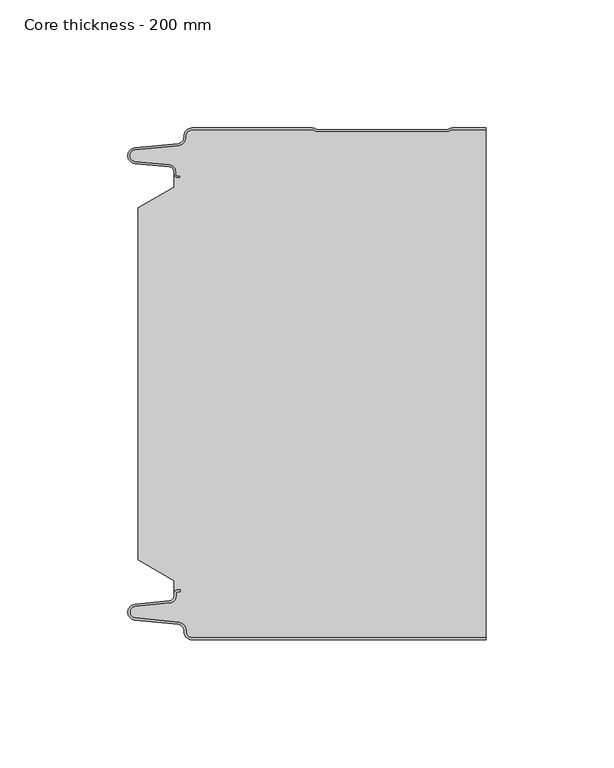
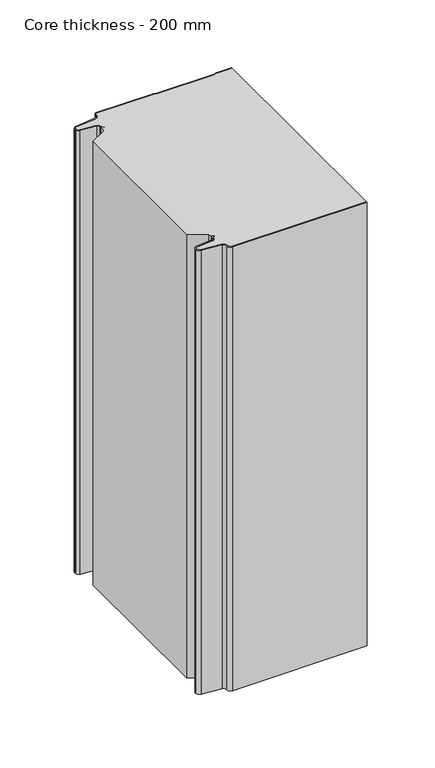
"""IFC4 building model written with IfcOpenShell, lengths in millimetres: plate geometry, Core thickness - 200 mm."""

from ifc_helpers import new_model, si_unit, frame, origin, place, context, project, spatial, polyline, circle_curve, source, transform, mapped, element, save
from ifc_brep_helpers import plane_surface, cylinder_surface, revolved_surface, advanced_brep


def core_thickness_200_mm_d5a46577(model_context):
    return source(origin(), model_context, "Body", "AdvancedBrep", [
        advanced_brep(
        [(-44.8000003, -199.9996949, 0.0), (-47.9923632, -196.5787437, 0.0), (-50.2560431, -193.9171154, 0.0), (-67.2115315, -192.2546153, 0.0), (-69.9999998, -189.1776715, 0.0), (-67.2115315, -186.1007278, 0.0), (-53.6195785, -184.7680252, 0.0), (-51.9952277, -182.9766159, 0.0), (-51.9952277, -181.8996949, 0.0), (-50.5952277, -180.4996949, 0.0), (-49.4952277, -180.4996949, 0.0), (-49.4952277, -181.2996949, 0.0), (-50.5952277, -181.2996949, 0.0), (-51.1952277, -181.8996949, 0.0), (-51.1952277, -182.9766159, 0.0), (-53.5415122, -185.5642071, 0.0), (-67.1334652, -186.8969097, 0.0), (-69.1999997, -189.1776715, 0.0), (-67.1334652, -191.4584333, 0.0), (-50.1779767, -193.1209335, 0.0), (-47.2078761, -196.6330399, 0.0), (-44.8000003, -199.1996949, 0.0), (69.9999998, -199.2, 0.0), (69.9999998, -199.9996949, 0.0), (-44.8000003, -199.1996949, 400.0), (-47.1942724, -196.6339815, 400.0), (-50.1779767, -193.1209335, 400.0), (-67.1334652, -191.4584333, 400.0), (-69.1999997, -189.1776715, 400.0), (-67.1334652, -186.8969097, 400.0), (-53.5415122, -185.5642071, 400.0), (-51.1952277, -182.9766159, 400.0), (-51.1952277, -181.8996949, 400.0), (-50.5952277, -181.2996949, 400.0), (-49.4952277, -181.2996949, 400.0), (-49.4952277, -180.4996949, 400.0), (-50.5952277, -180.4996949, 400.0), (-51.9952277, -181.8996949, 400.0), (-51.9952277, -182.9766159, 400.0), (-53.6195785, -184.7680252, 400.0), (-67.2115315, -186.1007278, 400.0), (-69.9999998, -189.1776715, 400.0), (-67.2115315, -192.2546153, 400.0), (-50.2560431, -193.9171154, 400.0), (-48.0059668, -196.5778021, 400.0), (-44.8000003, -199.9996949, 400.0), (69.9999998, -199.9996949, 400.0), (69.9999998, -199.2, 400.0)],
        [
            (0, 1, circle_curve(frame((-44.8000003, -196.7996949, 0.0), z_axis=(0.0, 0.0, -1.0), x_axis=(1.0, 0.0, 0.0)), 3.2)),
            (1, 2, circle_curve(frame((-50.5000003, -196.4051839, 0.0), z_axis=(0.0, 0.0, 1.0), x_axis=(1.0, 0.0, 0.0)), 2.5)),
            (2, 3),
            (3, 4, circle_curve(frame((-66.9100003, -189.1793626, 0.0), z_axis=(0.0, 0.0, -1.0), x_axis=(1.0, 0.0, 0.0)), 3.09)),
            (4, 5, circle_curve(frame((-66.9100003, -189.1759805, 0.0), z_axis=(0.0, 0.0, -1.0), x_axis=(1.0, 0.0, 0.0)), 3.09)),
            (5, 6),
            (6, 7, circle_curve(frame((-53.7952277, -182.9766159, 0.0), z_axis=(0.0, 0.0, 1.0), x_axis=(1.0, 0.0, 0.0)), 1.8)),
            (7, 8),
            (8, 9, circle_curve(frame((-50.5952277, -181.8996949, 0.0), z_axis=(0.0, 0.0, -1.0), x_axis=(1.0, 0.0, 0.0)), 1.4)),
            (9, 10),
            (10, 11),
            (11, 12),
            (12, 13, circle_curve(frame((-50.5952277, -181.8996949, 0.0), z_axis=(0.0, 0.0, 1.0), x_axis=(1.0, 0.0, 0.0)), 0.6)),
            (13, 14),
            (14, 15, circle_curve(frame((-53.7952277, -182.9766159, 0.0), z_axis=(0.0, 0.0, -1.0), x_axis=(1.0, 0.0, 0.0)), 2.6)),
            (15, 16),
            (16, 17, circle_curve(frame((-66.9100003, -189.1759805, 0.0), z_axis=(0.0, 0.0, 1.0), x_axis=(1.0, 0.0, 0.0)), 2.29)),
            (17, 18, circle_curve(frame((-66.9100003, -189.1793626, 0.0), z_axis=(0.0, 0.0, 1.0), x_axis=(1.0, 0.0, 0.0)), 2.29)),
            (18, 19),
            (19, 20, circle_curve(frame((-50.5000003, -196.4051839, 0.0), z_axis=(0.0, 0.0, -1.0), x_axis=(1.0, 0.0, 0.0)), 3.3)),
            (20, 21, circle_curve(frame((-44.8000003, -196.7996949, 0.0), z_axis=(0.0, 0.0, 1.0), x_axis=(1.0, 0.0, 0.0)), 2.4)),
            (21, 22),
            (22, 23),
            (23, 0),
            (24, 25, circle_curve(frame((-44.8000003, -196.7996949, 400.0), z_axis=(0.0, 0.0, -1.0), x_axis=(1.0, 0.0, 0.0)), 2.4)),
            (25, 26, circle_curve(frame((-50.5000003, -196.4051839, 400.0), z_axis=(0.0, 0.0, 1.0), x_axis=(1.0, 0.0, 0.0)), 3.3)),
            (26, 27),
            (27, 28, circle_curve(frame((-66.9100003, -189.1793626, 400.0), z_axis=(0.0, 0.0, -1.0), x_axis=(1.0, 0.0, 0.0)), 2.29)),
            (28, 29, circle_curve(frame((-66.9100003, -189.1759805, 400.0), z_axis=(0.0, 0.0, -1.0), x_axis=(1.0, 0.0, 0.0)), 2.29)),
            (29, 30),
            (30, 31, circle_curve(frame((-53.7952277, -182.9766159, 400.0), z_axis=(0.0, 0.0, 1.0), x_axis=(1.0, 0.0, 0.0)), 2.6)),
            (31, 32),
            (32, 33, circle_curve(frame((-50.5952277, -181.8996949, 400.0), z_axis=(0.0, 0.0, -1.0), x_axis=(1.0, 0.0, 0.0)), 0.6)),
            (33, 34),
            (34, 35),
            (35, 36),
            (36, 37, circle_curve(frame((-50.5952277, -181.8996949, 400.0), z_axis=(0.0, 0.0, 1.0), x_axis=(1.0, 0.0, 0.0)), 1.4)),
            (37, 38),
            (38, 39, circle_curve(frame((-53.7952277, -182.9766159, 400.0), z_axis=(0.0, 0.0, -1.0), x_axis=(1.0, 0.0, 0.0)), 1.8)),
            (39, 40),
            (40, 41, circle_curve(frame((-66.9100003, -189.1759805, 400.0), z_axis=(0.0, 0.0, 1.0), x_axis=(1.0, 0.0, 0.0)), 3.09)),
            (41, 42, circle_curve(frame((-66.9100003, -189.1793626, 400.0), z_axis=(0.0, 0.0, 1.0), x_axis=(1.0, 0.0, 0.0)), 3.09)),
            (42, 43),
            (43, 44, circle_curve(frame((-50.5000003, -196.4051839, 400.0), z_axis=(0.0, 0.0, -1.0), x_axis=(1.0, 0.0, 0.0)), 2.5)),
            (44, 45, circle_curve(frame((-44.8000003, -196.7996949, 400.0), z_axis=(0.0, 0.0, 1.0), x_axis=(1.0, 0.0, 0.0)), 3.2)),
            (45, 46),
            (46, 47),
            (47, 24),
            (21, 24),
            (47, 22),
            (20, 25),
            (19, 26),
            (18, 27),
            (17, 28),
            (16, 29),
            (15, 30),
            (14, 31),
            (13, 32),
            (12, 33),
            (11, 34),
            (10, 35),
            (9, 36),
            (8, 37),
            (7, 38),
            (6, 39),
            (5, 40),
            (4, 41),
            (3, 42),
            (2, 43),
            (1, 44),
            (0, 45),
            (23, 46),
        ],
        [
            plane_surface(frame((-69.9999998, -200.0, 0.0), z_axis=(0.0, 0.0, -1.0), x_axis=(0.0, 1.0, 0.0))),
            plane_surface(frame((-69.9999998, -200.0, 400.0), z_axis=(0.0, 0.0, 1.0), x_axis=(0.0, 1.0, 0.0))),
            plane_surface(frame((-44.8000003, -199.2, 0.0), z_axis=(0.0, 1.0, 0.0), x_axis=(0.0, 0.0, 1.0))),
            revolved_surface(polyline([(-42.4000003, -196.7996949, 400.0), (-42.4000003, -196.7996949, 0.0)]), (-44.8000003, -196.7996949, 0.0), (0.0, 0.0, 1.0)),
            cylinder_surface(frame((-50.5000003, -196.4051839, 0.0), z_axis=(0.0, 0.0, -1.0), x_axis=(1.0, 0.0, 0.0)), 3.3),
            plane_surface(frame((-67.1334652, -191.4584333, 0.0), z_axis=(0.09758289975914758, 0.9952273999818314, 0.0), x_axis=(0.0, 0.0, 1.0))),
            revolved_surface(polyline([(-64.62000029999999, -189.1793626, 400.0), (-64.62000029999999, -189.1793626, 0.0)]), (-66.9100003, -189.1793626, 0.0), (0.0, 0.0, 1.0)),
            revolved_surface(polyline([(-64.62000029999999, -189.1759805, 400.0), (-64.62000029999999, -189.1759805, 0.0)]), (-66.9100003, -189.1759805, 0.0), (0.0, 0.0, 1.0)),
            plane_surface(frame((-53.5415122, -185.5642071, 0.0), z_axis=(0.09758289975914383, -0.9952273999818317, 0.0), x_axis=(0.0, 0.0, 1.0))),
            cylinder_surface(frame((-53.7952277, -182.9766159, 0.0), z_axis=(0.0, 0.0, -1.0), x_axis=(1.0, 0.0, 0.0)), 2.6),
            plane_surface(frame((-51.1952277, -181.8996949, 0.0), z_axis=(1.0, 0.0, 0.0), x_axis=(0.0, 0.0, 1.0))),
            revolved_surface(polyline([(-49.9952277, -181.8996949, 400.0), (-49.9952277, -181.8996949, 0.0)]), (-50.5952277, -181.8996949, 0.0), (0.0, 0.0, 1.0)),
            plane_surface(frame((-49.4952277, -181.2996949, 0.0), z_axis=(0.0, -1.0, 0.0), x_axis=(0.0, 0.0, 1.0))),
            plane_surface(frame((-49.4952277, -180.4996949, 0.0), z_axis=(1.0, 0.0, 0.0), x_axis=(0.0, 0.0, 1.0))),
            plane_surface(frame((-50.5952277, -180.4996949, 0.0), z_axis=(0.0, 1.0, 0.0), x_axis=(0.0, 0.0, 1.0))),
            cylinder_surface(frame((-50.5952277, -181.8996949, 0.0), z_axis=(0.0, 0.0, -1.0), x_axis=(1.0, 0.0, 0.0)), 1.4),
            plane_surface(frame((-51.9952277, -182.9766159, 0.0), z_axis=(-1.0, 0.0, 0.0), x_axis=(0.0, 0.0, 1.0))),
            revolved_surface(polyline([(-51.9952277, -182.9766159, 400.0), (-51.9952277, -182.9766159, 0.0)]), (-53.7952277, -182.9766159, 0.0), (0.0, 0.0, 1.0)),
            plane_surface(frame((-67.2115315, -186.1007278, 0.0), z_axis=(-0.09758289975914387, 0.9952273999818317, 0.0), x_axis=(0.0, 0.0, 1.0))),
            cylinder_surface(frame((-66.9100003, -189.1759805, 0.0), z_axis=(0.0, 0.0, -1.0), x_axis=(1.0, 0.0, 0.0)), 3.09),
            cylinder_surface(frame((-66.9100003, -189.1793626, 0.0), z_axis=(0.0, 0.0, -1.0), x_axis=(1.0, 0.0, 0.0)), 3.09),
            plane_surface(frame((-50.2560431, -193.9171154, 0.0), z_axis=(-0.09758289975914762, -0.9952273999818314, 0.0), x_axis=(0.0, 0.0, 1.0))),
            revolved_surface(polyline([(-48.0000003, -196.4051839, 400.0), (-48.0000003, -196.4051839, 0.0)]), (-50.5000003, -196.4051839, 0.0), (0.0, 0.0, 1.0)),
            cylinder_surface(frame((-44.8000003, -196.7996949, 0.0), z_axis=(0.0, 0.0, -1.0), x_axis=(1.0, 0.0, 0.0)), 3.2),
            plane_surface(frame((1046.009932, -199.9996949, 0.0), z_axis=(0.0, -1.0, 0.0), x_axis=(0.0, 0.0, 1.0))),
            plane_surface(frame((69.9999998, 180.0, 400.0), z_axis=(1.0, 0.0, 0.0), x_axis=(0.0, 0.0, -1.0))),
        ],
        [
            (0, [[1, 2, 3, 4, 5, 6, 7, 8, 9, 10, 11, 12, 13, 14, 15, 16, 17, 18, 19, 20, 21, 22, 23, 24]]),
            (1, [[25, 26, 27, 28, 29, 30, 31, 32, 33, 34, 35, 36, 37, 38, 39, 40, 41, 42, 43, 44, 45, 46, 47, 48]]),
            (2, [[49, -48, 50, -22]]),
            (3, [[-21, 51, -25, -49]]),
            (4, [[-20, 52, -26, -51]]),
            (5, [[-19, 53, -27, -52]]),
            (6, [[-18, 54, -28, -53]]),
            (7, [[-17, 55, -29, -54]]),
            (8, [[-16, 56, -30, -55]]),
            (9, [[-15, 57, -31, -56]]),
            (10, [[-14, 58, -32, -57]]),
            (11, [[-13, 59, -33, -58]]),
            (12, [[-12, 60, -34, -59]]),
            (13, [[-11, 61, -35, -60]]),
            (14, [[-10, 62, -36, -61]]),
            (15, [[-9, 63, -37, -62]]),
            (16, [[-8, 64, -38, -63]]),
            (17, [[-7, 65, -39, -64]]),
            (18, [[-6, 66, -40, -65]]),
            (19, [[-5, 67, -41, -66]]),
            (20, [[-4, 68, -42, -67]]),
            (21, [[-3, 69, -43, -68]]),
            (22, [[-2, 70, -44, -69]]),
            (23, [[-1, 71, -45, -70]]),
            (24, [[-71, -24, 72, -46]]),
            (25, [[-23, -50, -47, -72]]),
        ],
    ),
        advanced_brep(
        [(-51.9952277, -23.1062917, 400.0), (-66.0446509, -31.1628062, 400.0), (-66.0446509, -168.7531937, 400.0), (-51.9952277, -176.8937083, 400.0), (-51.9952277, -180.4996949, 400.0), (-51.9952277, -181.8996949, 400.0), (-50.5952277, -180.4996949, 400.0), (-49.4952277, -180.4996949, 400.0), (-49.4952277, -181.2996949, 400.0), (-50.5952277, -181.2996949, 400.0), (-51.1952277, -181.8996949, 400.0), (-51.1952277, -182.9766159, 400.0), (-53.5415122, -185.5642071, 400.0), (-67.1334652, -186.8969097, 400.0), (-69.1999997, -189.1776715, 400.0), (-67.1334652, -191.4584333, 400.0), (-50.1779767, -193.1209335, 400.0), (-47.2078761, -196.6330399, 400.0), (-44.8000003, -199.1996949, 400.0), (69.9999998, -199.2, 400.0), (69.9999998, -0.8, 400.0), (57.0487965, -0.8, 400.0), (55.9973806, -1.0986697, 400.0), (54.5769997, -1.5003051, 400.0), (4.4172165, -1.5003051, 400.0), (2.9978051, -1.0971009, 400.0), (1.9454197, -0.8, 400.0), (-44.8000003, -0.8, 400.0), (-47.1942724, -3.3660185, 400.0), (-50.1779767, -6.8790665, 400.0), (-67.1334652, -8.5415667, 400.0), (-69.1999997, -10.8223285, 400.0), (-67.1334652, -13.1030903, 400.0), (-53.5415122, -14.4357929, 400.0), (-51.1952277, -17.0233841, 400.0), (-51.1952277, -18.1003051, 400.0), (-50.5952277, -18.7003051, 400.0), (-49.4952277, -18.7003051, 400.0), (-49.4952277, -19.5003051, 400.0), (-50.5952277, -19.5003051, 400.0), (-51.9952277, -18.1003051, 400.0), (-51.9952277, -19.5003051, 400.0), (-51.9952277, -176.8937083, 0.0), (-66.0446509, -168.7531937, 0.0), (-66.0446509, -31.1628062, 0.0), (-51.9952277, -23.1062917, 0.0), (-51.9952277, -19.5003051, 0.0), (-51.9952277, -18.1003051, 0.0), (-50.5952277, -19.5003051, 0.0), (-49.4952277, -19.5003051, 0.0), (-49.4952277, -18.7003051, 0.0), (-50.5952277, -18.7003051, 0.0), (-51.1952277, -18.1003051, 0.0), (-51.1952277, -17.0233841, 0.0), (-53.5415122, -14.4357929, 0.0), (-67.1334652, -13.1030903, 0.0), (-69.1999997, -10.8223285, 0.0), (-67.1334652, -8.5415667, 0.0), (-50.1779767, -6.8790665, 0.0), (-47.2078761, -3.3669601, 0.0), (-44.8000003, -0.8003051, 0.0), (1.9454197, -0.8, 0.0), (2.9968355, -1.0986697, 0.0), (4.4172165, -1.5003051, 0.0), (54.5769997, -1.5003051, 0.0), (55.9964111, -1.0971009, 0.0), (57.0487965, -0.8, 0.0), (69.9999998, -0.8, 0.0), (69.9999998, -199.2, 0.0), (-44.8000003, -199.2, 0.0), (-47.1942724, -196.6339815, 0.0), (-50.1779767, -193.1209335, 0.0), (-67.1334652, -191.4584333, 0.0), (-69.1999997, -189.1776715, 0.0), (-67.1334652, -186.8969097, 0.0), (-53.5415122, -185.5642071, 0.0), (-51.1952277, -182.9766159, 0.0), (-51.1952277, -181.8996949, 0.0), (-50.5952277, -181.2996949, 0.0), (-49.4952277, -181.2996949, 0.0), (-49.4952277, -180.4996949, 0.0), (-50.5952277, -180.4996949, 0.0), (-51.9952277, -181.8996949, 0.0), (-51.9952277, -180.4996949, 0.0)],
        [
            (0, 1),
            (1, 2),
            (2, 3),
            (3, 4),
            (4, 5),
            (5, 6, circle_curve(frame((-50.5952277, -181.8996949, 400.0), z_axis=(0.0, 0.0, -1.0), x_axis=(1.0, 0.0, 0.0)), 1.4)),
            (6, 7),
            (7, 8),
            (8, 9),
            (9, 10, circle_curve(frame((-50.5952277, -181.8996949, 400.0), z_axis=(0.0, 0.0, 1.0), x_axis=(1.0, 0.0, 0.0)), 0.6)),
            (10, 11),
            (11, 12, circle_curve(frame((-53.7952277, -182.9766159, 400.0), z_axis=(0.0, 0.0, -1.0), x_axis=(1.0, 0.0, 0.0)), 2.6)),
            (12, 13),
            (13, 14, circle_curve(frame((-66.9100003, -189.1759805, 400.0), z_axis=(0.0, 0.0, 1.0), x_axis=(1.0, 0.0, 0.0)), 2.29)),
            (14, 15, circle_curve(frame((-66.9100003, -189.1793626, 400.0), z_axis=(0.0, 0.0, 1.0), x_axis=(1.0, 0.0, 0.0)), 2.29)),
            (15, 16),
            (16, 17, circle_curve(frame((-50.5000003, -196.4051839, 400.0), z_axis=(0.0, 0.0, -1.0), x_axis=(1.0, 0.0, 0.0)), 3.3)),
            (17, 18, circle_curve(frame((-44.8000003, -196.7996949, 400.0), z_axis=(0.0, 0.0, 1.0), x_axis=(1.0, 0.0, 0.0)), 2.4)),
            (18, 19),
            (19, 20),
            (20, 21),
            (21, 22, circle_curve(frame((57.0487965, -2.8, 400.0), z_axis=(0.0, 0.0, 1.0), x_axis=(1.0, 0.0, 0.0)), 2.0)),
            (22, 23, circle_curve(frame((54.5769997, 1.1996949, 400.0), z_axis=(0.0, 0.0, -1.0), x_axis=(1.0, 0.0, 0.0)), 2.7)),
            (23, 24),
            (24, 25, circle_curve(frame((4.4172165, 1.1996949, 400.0), z_axis=(0.0, 0.0, -1.0), x_axis=(1.0, 0.0, 0.0)), 2.7)),
            (25, 26, circle_curve(frame((1.9454197, -2.8, 400.0), z_axis=(0.0, 0.0, 1.0), x_axis=(1.0, 0.0, 0.0)), 2.0)),
            (26, 27),
            (27, 28, circle_curve(frame((-44.8000003, -3.2003051, 400.0), z_axis=(0.0, 0.0, 1.0), x_axis=(1.0, 0.0, 0.0)), 2.4)),
            (28, 29, circle_curve(frame((-50.5000003, -3.5948161, 400.0), z_axis=(0.0, 0.0, -1.0), x_axis=(1.0, 0.0, 0.0)), 3.3)),
            (29, 30),
            (30, 31, circle_curve(frame((-66.9100003, -10.8206374, 400.0), z_axis=(0.0, 0.0, 1.0), x_axis=(1.0, 0.0, 0.0)), 2.29)),
            (31, 32, circle_curve(frame((-66.9100003, -10.8240195, 400.0), z_axis=(0.0, 0.0, 1.0), x_axis=(1.0, 0.0, 0.0)), 2.29)),
            (32, 33),
            (33, 34, circle_curve(frame((-53.7952277, -17.0233841, 400.0), z_axis=(0.0, 0.0, -1.0), x_axis=(1.0, 0.0, 0.0)), 2.6)),
            (34, 35),
            (35, 36, circle_curve(frame((-50.5952277, -18.1003051, 400.0), z_axis=(0.0, 0.0, 1.0), x_axis=(1.0, 0.0, 0.0)), 0.6)),
            (36, 37),
            (37, 38),
            (38, 39),
            (39, 40, circle_curve(frame((-50.5952277, -18.1003051, 400.0), z_axis=(0.0, 0.0, -1.0), x_axis=(1.0, 0.0, 0.0)), 1.4)),
            (40, 41),
            (41, 0),
            (42, 43),
            (43, 44),
            (44, 45),
            (45, 46),
            (46, 47),
            (47, 48, circle_curve(frame((-50.5952277, -18.1003051, 0.0), z_axis=(0.0, 0.0, 1.0), x_axis=(1.0, 0.0, 0.0)), 1.4)),
            (48, 49),
            (49, 50),
            (50, 51),
            (51, 52, circle_curve(frame((-50.5952277, -18.1003051, 0.0), z_axis=(0.0, 0.0, -1.0), x_axis=(1.0, 0.0, 0.0)), 0.6)),
            (52, 53),
            (53, 54, circle_curve(frame((-53.7952277, -17.0233841, 0.0), z_axis=(0.0, 0.0, 1.0), x_axis=(1.0, 0.0, 0.0)), 2.6)),
            (54, 55),
            (55, 56, circle_curve(frame((-66.9100003, -10.8240195, 0.0), z_axis=(0.0, 0.0, -1.0), x_axis=(1.0, 0.0, 0.0)), 2.29)),
            (56, 57, circle_curve(frame((-66.9100003, -10.8206374, 0.0), z_axis=(0.0, 0.0, -1.0), x_axis=(1.0, 0.0, 0.0)), 2.29)),
            (57, 58),
            (58, 59, circle_curve(frame((-50.5000003, -3.5948161, 0.0), z_axis=(0.0, 0.0, 1.0), x_axis=(1.0, 0.0, 0.0)), 3.3)),
            (59, 60, circle_curve(frame((-44.8000003, -3.2003051, 0.0), z_axis=(0.0, 0.0, -1.0), x_axis=(1.0, 0.0, 0.0)), 2.4)),
            (60, 61),
            (61, 62, circle_curve(frame((1.9454197, -2.8, 0.0), z_axis=(0.0, 0.0, -1.0), x_axis=(1.0, 0.0, 0.0)), 2.0)),
            (62, 63, circle_curve(frame((4.4172165, 1.1996949, 0.0), z_axis=(0.0, 0.0, 1.0), x_axis=(1.0, 0.0, 0.0)), 2.7)),
            (63, 64),
            (64, 65, circle_curve(frame((54.5769997, 1.1996949, 0.0), z_axis=(0.0, 0.0, 1.0), x_axis=(1.0, 0.0, 0.0)), 2.7)),
            (65, 66, circle_curve(frame((57.0487965, -2.8, 0.0), z_axis=(0.0, 0.0, -1.0), x_axis=(1.0, 0.0, 0.0)), 2.0)),
            (66, 67),
            (67, 68),
            (68, 69),
            (69, 70, circle_curve(frame((-44.8000003, -196.7996949, 0.0), z_axis=(0.0, 0.0, -1.0), x_axis=(1.0, 0.0, 0.0)), 2.4)),
            (70, 71, circle_curve(frame((-50.5000003, -196.4051839, 0.0), z_axis=(0.0, 0.0, 1.0), x_axis=(1.0, 0.0, 0.0)), 3.3)),
            (71, 72),
            (72, 73, circle_curve(frame((-66.9100003, -189.1793626, 0.0), z_axis=(0.0, 0.0, -1.0), x_axis=(1.0, 0.0, 0.0)), 2.29)),
            (73, 74, circle_curve(frame((-66.9100003, -189.1759805, 0.0), z_axis=(0.0, 0.0, -1.0), x_axis=(1.0, 0.0, 0.0)), 2.29)),
            (74, 75),
            (75, 76, circle_curve(frame((-53.7952277, -182.9766159, 0.0), z_axis=(0.0, 0.0, 1.0), x_axis=(1.0, 0.0, 0.0)), 2.6)),
            (76, 77),
            (77, 78, circle_curve(frame((-50.5952277, -181.8996949, 0.0), z_axis=(0.0, 0.0, -1.0), x_axis=(1.0, 0.0, 0.0)), 0.6)),
            (78, 79),
            (79, 80),
            (80, 81),
            (81, 82, circle_curve(frame((-50.5952277, -181.8996949, 0.0), z_axis=(0.0, 0.0, 1.0), x_axis=(1.0, 0.0, 0.0)), 1.4)),
            (82, 83),
            (83, 42),
            (45, 0),
            (40, 47),
            (1, 44),
            (43, 2),
            (42, 3),
            (82, 5),
            (18, 69),
            (68, 19),
            (17, 70),
            (16, 71),
            (15, 72),
            (14, 73),
            (13, 74),
            (12, 75),
            (11, 76),
            (10, 77),
            (9, 78),
            (8, 79),
            (7, 80),
            (6, 81),
            (60, 27),
            (26, 61),
            (25, 62),
            (24, 63),
            (23, 64),
            (22, 65),
            (21, 66),
            (20, 67),
            (39, 48),
            (38, 49),
            (37, 50),
            (36, 51),
            (35, 52),
            (34, 53),
            (33, 54),
            (32, 55),
            (31, 56),
            (30, 57),
            (29, 58),
            (28, 59),
        ],
        [
            plane_surface(frame((-69.9999998, 0.0, 400.0), z_axis=(0.0, 0.0, 1.0), x_axis=(0.0, -1.0, 0.0))),
            plane_surface(frame((-69.9999998, 0.0, 0.0), z_axis=(0.0, 0.0, -1.0), x_axis=(0.0, -1.0, 0.0))),
            plane_surface(frame((-51.9952277, -17.0229218, 400.0), z_axis=(-1.0, 0.0, 0.0), x_axis=(0.0, 0.0, -1.0))),
            plane_surface(frame((-66.0446509, -31.1628062, 400.0), z_axis=(-1.0, 0.0, 0.0), x_axis=(0.0, 0.0, -1.0))),
            plane_surface(frame((-51.9952277, -23.1062917, 400.0), z_axis=(-0.4974543664933155, 0.8674901459133322, 0.0), x_axis=(0.0, 0.0, -1.0))),
            plane_surface(frame((-66.0446509, -168.7531937, 400.0), z_axis=(-0.5013424225369615, -0.8652489672717159, 0.0), x_axis=(0.0, 0.0, -1.0))),
            plane_surface(frame((-51.9952277, -176.8937083, 400.0), z_axis=(-1.0, 0.0, 0.0), x_axis=(0.0, 0.0, -1.0))),
            plane_surface(frame((1046.009932, -199.2, 530.0), z_axis=(0.0, -1.0, 0.0), x_axis=(0.0, 0.0, -1.0))),
            cylinder_surface(frame((-44.8000003, -196.7996949, 530.0), z_axis=(0.0, 0.0, -1.0), x_axis=(1.0, 0.0, 0.0)), 2.4),
            revolved_surface(polyline([(-47.200000300000006, -196.4051839, 400.0), (-47.200000300000006, -196.4051839, 0.0)]), (-50.5000003, -196.4051839, 530.0), (0.0, 0.0, 1.0)),
            plane_surface(frame((-50.1779767, -193.1209335, 530.0), z_axis=(-0.09758289975914758, -0.9952273999818314, 0.0), x_axis=(0.0, 0.0, -1.0))),
            cylinder_surface(frame((-66.9100003, -189.1793626, 530.0), z_axis=(0.0, 0.0, -1.0), x_axis=(1.0, 0.0, 0.0)), 2.29),
            cylinder_surface(frame((-66.9100003, -189.1759805, 530.0), z_axis=(0.0, 0.0, -1.0), x_axis=(1.0, 0.0, 0.0)), 2.29),
            plane_surface(frame((-67.1334652, -186.8969097, 530.0), z_axis=(-0.09758289975914383, 0.9952273999818317, 0.0), x_axis=(0.0, 0.0, -1.0))),
            revolved_surface(polyline([(-51.1952277, -182.9766159, 400.0), (-51.1952277, -182.9766159, 0.0)]), (-53.7952277, -182.9766159, 530.0), (0.0, 0.0, 1.0)),
            plane_surface(frame((-51.1952277, -182.9766159, 530.0), z_axis=(-1.0, 0.0, 0.0), x_axis=(0.0, 0.0, -1.0))),
            cylinder_surface(frame((-50.5952277, -181.8996949, 530.0), z_axis=(0.0, 0.0, -1.0), x_axis=(1.0, 0.0, 0.0)), 0.6),
            plane_surface(frame((-50.5952277, -181.2996949, 530.0), z_axis=(0.0, 1.0, 0.0), x_axis=(0.0, 0.0, -1.0))),
            plane_surface(frame((-49.4952277, -181.2996949, 530.0), z_axis=(-1.0, 0.0, 0.0), x_axis=(0.0, 0.0, -1.0))),
            plane_surface(frame((-49.4952277, -180.4996949, 530.0), z_axis=(0.0, -1.0, 0.0), x_axis=(0.0, 0.0, -1.0))),
            revolved_surface(polyline([(-49.195227700000004, -181.8996949, 400.0), (-49.195227700000004, -181.8996949, 0.0)]), (-50.5952277, -181.8996949, 530.0), (0.0, 0.0, 1.0)),
            plane_surface(frame((-44.8000003, -0.8, 530.0), z_axis=(0.0, 1.0, 0.0), x_axis=(0.0, 0.0, -1.0))),
            cylinder_surface(frame((1.9454197, -2.8, 530.0), z_axis=(0.0, 0.0, -1.0), x_axis=(1.0, 0.0, 0.0)), 2.0),
            revolved_surface(polyline([(7.1172165000000005, 1.1996949, 400.0), (7.1172165000000005, 1.1996949, 0.0)]), (4.4172165, 1.1996949, 530.0), (0.0, 0.0, 1.0)),
            plane_surface(frame((4.4172165, -1.5003051, 530.0), z_axis=(0.0, 1.0, 0.0), x_axis=(0.0, 0.0, -1.0))),
            revolved_surface(polyline([(57.276999700000005, 1.1996949, 400.0), (57.276999700000005, 1.1996949, 0.0)]), (54.5769997, 1.1996949, 530.0), (0.0, 0.0, 1.0)),
            cylinder_surface(frame((57.0487965, -2.8, 530.0), z_axis=(0.0, 0.0, -1.0), x_axis=(1.0, 0.0, 0.0)), 2.0),
            plane_surface(frame((57.0487965, -0.8, 530.0), z_axis=(0.0, 1.0, 0.0), x_axis=(0.0, 0.0, -1.0))),
            revolved_surface(polyline([(-49.195227700000004, -18.1003051, 400.0), (-49.195227700000004, -18.1003051, 0.0)]), (-50.5952277, -18.1003051, 530.0), (0.0, 0.0, 1.0)),
            plane_surface(frame((-50.5952277, -19.5003051, 530.0), z_axis=(0.0, 1.0, 0.0), x_axis=(0.0, 0.0, -1.0))),
            plane_surface(frame((-49.4952277, -19.5003051, 530.0), z_axis=(-1.0, 0.0, 0.0), x_axis=(0.0, 0.0, -1.0))),
            plane_surface(frame((-49.4952277, -18.7003051, 530.0), z_axis=(0.0, -1.0, 0.0), x_axis=(0.0, 0.0, -1.0))),
            cylinder_surface(frame((-50.5952277, -18.1003051, 530.0), z_axis=(0.0, 0.0, -1.0), x_axis=(1.0, 0.0, 0.0)), 0.6),
            plane_surface(frame((-51.1952277, -18.1003051, 530.0), z_axis=(-1.0, 0.0, 0.0), x_axis=(0.0, 0.0, -1.0))),
            revolved_surface(polyline([(-51.1952277, -17.0233841, 400.0), (-51.1952277, -17.0233841, 0.0)]), (-53.7952277, -17.0233841, 530.0), (0.0, 0.0, 1.0)),
            plane_surface(frame((-53.5415122, -14.4357929, 530.0), z_axis=(-0.09758289975914705, -0.9952273999818314, 0.0), x_axis=(0.0, 0.0, -1.0))),
            cylinder_surface(frame((-66.9100003, -10.8240195, 530.0), z_axis=(0.0, 0.0, -1.0), x_axis=(1.0, 0.0, 0.0)), 2.29),
            cylinder_surface(frame((-66.9100003, -10.8206374, 530.0), z_axis=(0.0, 0.0, -1.0), x_axis=(1.0, 0.0, 0.0)), 2.29),
            plane_surface(frame((-67.1334652, -8.5415667, 530.0), z_axis=(-0.09758289975914436, 0.9952273999818317, 0.0), x_axis=(0.0, 0.0, -1.0))),
            revolved_surface(polyline([(-47.200000300000006, -3.5948161, 400.0), (-47.200000300000006, -3.5948161, 0.0)]), (-50.5000003, -3.5948161, 530.0), (0.0, 0.0, 1.0)),
            cylinder_surface(frame((-44.8000003, -3.2003051, 530.0), z_axis=(0.0, 0.0, -1.0), x_axis=(1.0, 0.0, 0.0)), 2.4),
            plane_surface(frame((69.9999998, 180.0, 400.0), z_axis=(1.0, 0.0, 0.0), x_axis=(0.0, 0.0, -1.0))),
        ],
        [
            (0, [[1, 2, 3, 4, 5, 6, 7, 8, 9, 10, 11, 12, 13, 14, 15, 16, 17, 18, 19, 20, 21, 22, 23, 24, 25, 26, 27, 28, 29, 30, 31, 32, 33, 34, 35, 36, 37, 38, 39, 40, 41, 42]]),
            (1, [[43, 44, 45, 46, 47, 48, 49, 50, 51, 52, 53, 54, 55, 56, 57, 58, 59, 60, 61, 62, 63, 64, 65, 66, 67, 68, 69, 70, 71, 72, 73, 74, 75, 76, 77, 78, 79, 80, 81, 82, 83, 84]]),
            (2, [[85, -42, -41, 86, -47, -46]]),
            (3, [[-2, 87, -44, 88]]),
            (4, [[-1, -85, -45, -87]]),
            (5, [[-3, -88, -43, 89]]),
            (6, [[-89, -84, -83, 90, -5, -4]]),
            (7, [[91, -69, 92, -19]]),
            (8, [[-91, -18, 93, -70]]),
            (9, [[-93, -17, 94, -71]]),
            (10, [[-94, -16, 95, -72]]),
            (11, [[-95, -15, 96, -73]]),
            (12, [[-96, -14, 97, -74]]),
            (13, [[-97, -13, 98, -75]]),
            (14, [[-98, -12, 99, -76]]),
            (15, [[-99, -11, 100, -77]]),
            (16, [[-100, -10, 101, -78]]),
            (17, [[-101, -9, 102, -79]]),
            (18, [[-102, -8, 103, -80]]),
            (19, [[-103, -7, 104, -81]]),
            (20, [[-104, -6, -90, -82]]),
            (21, [[105, -27, 106, -61]]),
            (22, [[-106, -26, 107, -62]]),
            (23, [[-107, -25, 108, -63]]),
            (24, [[-108, -24, 109, -64]]),
            (25, [[-109, -23, 110, -65]]),
            (26, [[-110, -22, 111, -66]]),
            (27, [[-111, -21, 112, -67]]),
            (28, [[113, -48, -86, -40]]),
            (29, [[-113, -39, 114, -49]]),
            (30, [[-114, -38, 115, -50]]),
            (31, [[-115, -37, 116, -51]]),
            (32, [[-116, -36, 117, -52]]),
            (33, [[-117, -35, 118, -53]]),
            (34, [[-118, -34, 119, -54]]),
            (35, [[-119, -33, 120, -55]]),
            (36, [[-120, -32, 121, -56]]),
            (37, [[-121, -31, 122, -57]]),
            (38, [[-122, -30, 123, -58]]),
            (39, [[-123, -29, 124, -59]]),
            (40, [[-105, -60, -124, -28]]),
            (41, [[-92, -68, -112, -20]]),
        ],
    ),
        advanced_brep(
        [(2.9968355, -1.0986697, 0.0), (1.9454197, -0.8, 0.0), (-44.8000003, -0.8, 0.0), (-47.1942724, -3.3660185, 0.0), (-50.1779767, -6.8790665, 0.0), (-67.1334652, -8.5415667, 0.0), (-69.1999997, -10.8223285, 0.0), (-67.1334652, -13.1030903, 0.0), (-53.5415122, -14.4357929, 0.0), (-51.1952277, -17.0233841, 0.0), (-51.1952277, -18.1003051, 0.0), (-50.5952277, -18.7003051, 0.0), (-49.4952277, -18.7003051, 0.0), (-49.4952277, -19.5003051, 0.0), (-50.5952277, -19.5003051, 0.0), (-51.9952277, -18.1003051, 0.0), (-51.9952277, -17.0233841, 0.0), (-53.6195785, -15.2319748, 0.0), (-67.2115315, -13.8992722, 0.0), (-69.9999998, -10.8223285, 0.0), (-67.2115315, -7.7453847, 0.0), (-50.2560431, -6.0828846, 0.0), (-48.0059668, -3.4221979, 0.0), (-44.8000003, -0.0003051, 0.0), (1.9454197, -0.0003051, 0.0), (3.3647528, -0.4034608, 0.0), (4.4172165, -0.7003051, 0.0), (54.5769997, -0.7003051, 0.0), (55.6283575, -0.4016712, 0.0), (57.0487965, -0.0003051, 0.0), (69.9999998, -0.0003051, 0.0), (69.9999998, -0.8, 0.0), (57.0487965, -0.8, 0.0), (55.9973806, -1.0986697, 0.0), (54.5769997, -1.5003051, 0.0), (4.4172165, -1.5003051, 0.0), (2.9978051, -1.0971009, 400.0), (4.4172165, -1.5003051, 400.0), (54.5769997, -1.5003051, 400.0), (55.9964111, -1.0971009, 400.0), (57.0487965, -0.8, 400.0), (69.9999998, -0.8, 400.0), (69.9999998, -0.0003051, 400.0), (57.0487965, -0.0003051, 400.0), (55.6294634, -0.4034608, 400.0), (54.5769997, -0.7003051, 400.0), (4.4172165, -0.7003051, 400.0), (3.3658586, -0.4016712, 400.0), (1.9454197, -0.0003051, 400.0), (-44.8000003, -0.0003051, 400.0), (-47.9923632, -3.4212563, 400.0), (-50.2560431, -6.0828846, 400.0), (-67.2115315, -7.7453847, 400.0), (-69.9999998, -10.8223285, 400.0), (-67.2115315, -13.8992722, 400.0), (-53.6195785, -15.2319748, 400.0), (-51.9952277, -17.0233841, 400.0), (-51.9952277, -18.1003051, 400.0), (-50.5952277, -19.5003051, 400.0), (-49.4952277, -19.5003051, 400.0), (-49.4952277, -18.7003051, 400.0), (-50.5952277, -18.7003051, 400.0), (-51.1952277, -18.1003051, 400.0), (-51.1952277, -17.0233841, 400.0), (-53.5415122, -14.4357929, 400.0), (-67.1334652, -13.1030903, 400.0), (-69.1999997, -10.8223285, 400.0), (-67.1334652, -8.5415667, 400.0), (-50.1779767, -6.8790665, 400.0), (-47.2078761, -3.3669601, 400.0), (-44.8000003, -0.8003051, 400.0), (1.9454197, -0.8, 400.0)],
        [
            (0, 1, circle_curve(frame((1.9454197, -2.8, 0.0), z_axis=(0.0, 0.0, 1.0), x_axis=(1.0, 0.0, 0.0)), 2.0)),
            (1, 2),
            (2, 3, circle_curve(frame((-44.8000003, -3.2003051, 0.0), z_axis=(0.0, 0.0, 1.0), x_axis=(1.0, 0.0, 0.0)), 2.4)),
            (3, 4, circle_curve(frame((-50.5000003, -3.5948161, 0.0), z_axis=(0.0, 0.0, -1.0), x_axis=(1.0, 0.0, 0.0)), 3.3)),
            (4, 5),
            (5, 6, circle_curve(frame((-66.9100003, -10.8206374, 0.0), z_axis=(0.0, 0.0, 1.0), x_axis=(1.0, 0.0, 0.0)), 2.29)),
            (6, 7, circle_curve(frame((-66.9100003, -10.8240195, 0.0), z_axis=(0.0, 0.0, 1.0), x_axis=(1.0, 0.0, 0.0)), 2.29)),
            (7, 8),
            (8, 9, circle_curve(frame((-53.7952277, -17.0233841, 0.0), z_axis=(0.0, 0.0, -1.0), x_axis=(1.0, 0.0, 0.0)), 2.6)),
            (9, 10),
            (10, 11, circle_curve(frame((-50.5952277, -18.1003051, 0.0), z_axis=(0.0, 0.0, 1.0), x_axis=(1.0, 0.0, 0.0)), 0.6)),
            (11, 12),
            (12, 13),
            (13, 14),
            (14, 15, circle_curve(frame((-50.5952277, -18.1003051, 0.0), z_axis=(0.0, 0.0, -1.0), x_axis=(1.0, 0.0, 0.0)), 1.4)),
            (15, 16),
            (16, 17, circle_curve(frame((-53.7952277, -17.0233841, 0.0), z_axis=(0.0, 0.0, 1.0), x_axis=(1.0, 0.0, 0.0)), 1.8)),
            (17, 18),
            (18, 19, circle_curve(frame((-66.9100003, -10.8240195, 0.0), z_axis=(0.0, 0.0, -1.0), x_axis=(1.0, 0.0, 0.0)), 3.09)),
            (19, 20, circle_curve(frame((-66.9100003, -10.8206374, 0.0), z_axis=(0.0, 0.0, -1.0), x_axis=(1.0, 0.0, 0.0)), 3.09)),
            (20, 21),
            (21, 22, circle_curve(frame((-50.5000003, -3.5948161, 0.0), z_axis=(0.0, 0.0, 1.0), x_axis=(1.0, 0.0, 0.0)), 2.5)),
            (22, 23, circle_curve(frame((-44.8000003, -3.2003051, 0.0), z_axis=(0.0, 0.0, -1.0), x_axis=(1.0, 0.0, 0.0)), 3.2)),
            (23, 24),
            (24, 25, circle_curve(frame((1.9454197, -2.7003051, 0.0), z_axis=(0.0, 0.0, -1.0), x_axis=(1.0, 0.0, 0.0)), 2.7)),
            (25, 26, circle_curve(frame((4.4172165, 1.2996949, 0.0), z_axis=(0.0, 0.0, 1.0), x_axis=(1.0, 0.0, 0.0)), 2.0)),
            (26, 27),
            (27, 28, circle_curve(frame((54.5769997, 1.2996949, 0.0), z_axis=(0.0, 0.0, 1.0), x_axis=(1.0, 0.0, 0.0)), 2.0)),
            (28, 29, circle_curve(frame((57.0487965, -2.7003051, 0.0), z_axis=(0.0, 0.0, -1.0), x_axis=(1.0, 0.0, 0.0)), 2.7)),
            (29, 30),
            (30, 31),
            (31, 32),
            (32, 33, circle_curve(frame((57.0487965, -2.8, 0.0), z_axis=(0.0, 0.0, 1.0), x_axis=(1.0, 0.0, 0.0)), 2.0)),
            (33, 34, circle_curve(frame((54.5769997, 1.1996949, 0.0), z_axis=(0.0, 0.0, -1.0), x_axis=(1.0, 0.0, 0.0)), 2.7)),
            (34, 35),
            (35, 0, circle_curve(frame((4.4172165, 1.1996949, 0.0), z_axis=(0.0, 0.0, -1.0), x_axis=(1.0, 0.0, 0.0)), 2.7)),
            (36, 37, circle_curve(frame((4.4172165, 1.1996949, 400.0), z_axis=(0.0, 0.0, 1.0), x_axis=(1.0, 0.0, 0.0)), 2.7)),
            (37, 38),
            (38, 39, circle_curve(frame((54.5769997, 1.1996949, 400.0), z_axis=(0.0, 0.0, 1.0), x_axis=(1.0, 0.0, 0.0)), 2.7)),
            (39, 40, circle_curve(frame((57.0487965, -2.8, 400.0), z_axis=(0.0, 0.0, -1.0), x_axis=(1.0, 0.0, 0.0)), 2.0)),
            (40, 41),
            (41, 42),
            (42, 43),
            (43, 44, circle_curve(frame((57.0487965, -2.7003051, 400.0), z_axis=(0.0, 0.0, 1.0), x_axis=(1.0, 0.0, 0.0)), 2.7)),
            (44, 45, circle_curve(frame((54.5769997, 1.2996949, 400.0), z_axis=(0.0, 0.0, -1.0), x_axis=(1.0, 0.0, 0.0)), 2.0)),
            (45, 46),
            (46, 47, circle_curve(frame((4.4172165, 1.2996949, 400.0), z_axis=(0.0, 0.0, -1.0), x_axis=(1.0, 0.0, 0.0)), 2.0)),
            (47, 48, circle_curve(frame((1.9454197, -2.7003051, 400.0), z_axis=(0.0, 0.0, 1.0), x_axis=(1.0, 0.0, 0.0)), 2.7)),
            (48, 49),
            (49, 50, circle_curve(frame((-44.8000003, -3.2003051, 400.0), z_axis=(0.0, 0.0, 1.0), x_axis=(1.0, 0.0, 0.0)), 3.2)),
            (50, 51, circle_curve(frame((-50.5000003, -3.5948161, 400.0), z_axis=(0.0, 0.0, -1.0), x_axis=(1.0, 0.0, 0.0)), 2.5)),
            (51, 52),
            (52, 53, circle_curve(frame((-66.9100003, -10.8206374, 400.0), z_axis=(0.0, 0.0, 1.0), x_axis=(1.0, 0.0, 0.0)), 3.09)),
            (53, 54, circle_curve(frame((-66.9100003, -10.8240195, 400.0), z_axis=(0.0, 0.0, 1.0), x_axis=(1.0, 0.0, 0.0)), 3.09)),
            (54, 55),
            (55, 56, circle_curve(frame((-53.7952277, -17.0233841, 400.0), z_axis=(0.0, 0.0, -1.0), x_axis=(1.0, 0.0, 0.0)), 1.8)),
            (56, 57),
            (57, 58, circle_curve(frame((-50.5952277, -18.1003051, 400.0), z_axis=(0.0, 0.0, 1.0), x_axis=(1.0, 0.0, 0.0)), 1.4)),
            (58, 59),
            (59, 60),
            (60, 61),
            (61, 62, circle_curve(frame((-50.5952277, -18.1003051, 400.0), z_axis=(0.0, 0.0, -1.0), x_axis=(1.0, 0.0, 0.0)), 0.6)),
            (62, 63),
            (63, 64, circle_curve(frame((-53.7952277, -17.0233841, 400.0), z_axis=(0.0, 0.0, 1.0), x_axis=(1.0, 0.0, 0.0)), 2.6)),
            (64, 65),
            (65, 66, circle_curve(frame((-66.9100003, -10.8240195, 400.0), z_axis=(0.0, 0.0, -1.0), x_axis=(1.0, 0.0, 0.0)), 2.29)),
            (66, 67, circle_curve(frame((-66.9100003, -10.8206374, 400.0), z_axis=(0.0, 0.0, -1.0), x_axis=(1.0, 0.0, 0.0)), 2.29)),
            (67, 68),
            (68, 69, circle_curve(frame((-50.5000003, -3.5948161, 400.0), z_axis=(0.0, 0.0, 1.0), x_axis=(1.0, 0.0, 0.0)), 3.3)),
            (69, 70, circle_curve(frame((-44.8000003, -3.2003051, 400.0), z_axis=(0.0, 0.0, -1.0), x_axis=(1.0, 0.0, 0.0)), 2.4)),
            (70, 71),
            (71, 36, circle_curve(frame((1.9454197, -2.8, 400.0), z_axis=(0.0, 0.0, -1.0), x_axis=(1.0, 0.0, 0.0)), 2.0)),
            (0, 36),
            (71, 1),
            (70, 2),
            (69, 3),
            (68, 4),
            (67, 5),
            (66, 6),
            (65, 7),
            (64, 8),
            (63, 9),
            (62, 10),
            (61, 11),
            (60, 12),
            (59, 13),
            (58, 14),
            (57, 15),
            (56, 16),
            (55, 17),
            (54, 18),
            (53, 19),
            (52, 20),
            (51, 21),
            (50, 22),
            (49, 23),
            (48, 24),
            (47, 25),
            (46, 26),
            (45, 27),
            (44, 28),
            (43, 29),
            (42, 30),
            (40, 32),
            (31, 41),
            (39, 33),
            (38, 34),
            (37, 35),
        ],
        [
            plane_surface(frame((-69.9999998, 0.0, 0.0), z_axis=(0.0, 0.0, -1.0), x_axis=(0.0, -1.0, 0.0))),
            plane_surface(frame((-69.9999998, 0.0, 400.0), z_axis=(0.0, 0.0, 1.0), x_axis=(0.0, -1.0, 0.0))),
            revolved_surface(polyline([(3.9454197, -2.8, 400.0), (3.9454197, -2.8, 0.0)]), (1.9454197, -2.8, 0.0), (0.0, 0.0, 1.0)),
            plane_surface(frame((1.9454197, -0.8, 0.0), z_axis=(0.0, -1.0, 0.0), x_axis=(0.0, 0.0, 1.0))),
            revolved_surface(polyline([(-42.4000003, -3.2003051, 400.0), (-42.4000003, -3.2003051, 0.0)]), (-44.8000003, -3.2003051, 0.0), (0.0, 0.0, 1.0)),
            cylinder_surface(frame((-50.5000003, -3.5948161, 0.0), z_axis=(0.0, 0.0, -1.0), x_axis=(1.0, 0.0, 0.0)), 3.3),
            plane_surface(frame((-50.1779767, -6.8790665, 0.0), z_axis=(0.09758289975914113, -0.9952273999818321, 0.0), x_axis=(0.0, 0.0, 1.0))),
            revolved_surface(polyline([(-64.62000029999999, -10.8206374, 400.0), (-64.62000029999999, -10.8206374, 0.0)]), (-66.9100003, -10.8206374, 0.0), (0.0, 0.0, 1.0)),
            revolved_surface(polyline([(-64.62000029999999, -10.8240195, 400.0), (-64.62000029999999, -10.8240195, 0.0)]), (-66.9100003, -10.8240195, 0.0), (0.0, 0.0, 1.0)),
            plane_surface(frame((-67.1334652, -13.1030903, 0.0), z_axis=(0.0975828997591503, 0.9952273999818312, 0.0), x_axis=(0.0, 0.0, 1.0))),
            cylinder_surface(frame((-53.7952277, -17.0233841, 0.0), z_axis=(0.0, 0.0, -1.0), x_axis=(1.0, 0.0, 0.0)), 2.6),
            plane_surface(frame((-51.1952277, -17.0233841, 0.0), z_axis=(1.0, 0.0, 0.0), x_axis=(0.0, 0.0, 1.0))),
            revolved_surface(polyline([(-49.9952277, -18.1003051, 400.0), (-49.9952277, -18.1003051, 0.0)]), (-50.5952277, -18.1003051, 0.0), (0.0, 0.0, 1.0)),
            plane_surface(frame((-50.5952277, -18.7003051, 0.0), z_axis=(0.0, 1.0, 0.0), x_axis=(0.0, 0.0, 1.0))),
            plane_surface(frame((-49.4952277, -18.7003051, 0.0), z_axis=(1.0, 0.0, 0.0), x_axis=(0.0, 0.0, 1.0))),
            plane_surface(frame((-49.4952277, -19.5003051, 0.0), z_axis=(0.0, -1.0, 0.0), x_axis=(0.0, 0.0, 1.0))),
            cylinder_surface(frame((-50.5952277, -18.1003051, 0.0), z_axis=(0.0, 0.0, -1.0), x_axis=(1.0, 0.0, 0.0)), 1.4),
            plane_surface(frame((-51.9952277, -18.1003051, 0.0), z_axis=(-1.0, 0.0, 0.0), x_axis=(0.0, 0.0, 1.0))),
            revolved_surface(polyline([(-51.9952277, -17.0233841, 400.0), (-51.9952277, -17.0233841, 0.0)]), (-53.7952277, -17.0233841, 0.0), (0.0, 0.0, 1.0)),
            plane_surface(frame((-53.6195785, -15.2319748, 0.0), z_axis=(-0.09758289975915034, -0.9952273999818312, 0.0), x_axis=(0.0, 0.0, 1.0))),
            cylinder_surface(frame((-66.9100003, -10.8240195, 0.0), z_axis=(0.0, 0.0, -1.0), x_axis=(1.0, 0.0, 0.0)), 3.09),
            cylinder_surface(frame((-66.9100003, -10.8206374, 0.0), z_axis=(0.0, 0.0, -1.0), x_axis=(1.0, 0.0, 0.0)), 3.09),
            plane_surface(frame((-67.2115315, -7.7453847, 0.0), z_axis=(-0.09758289975914117, 0.9952273999818321, 0.0), x_axis=(0.0, 0.0, 1.0))),
            revolved_surface(polyline([(-48.0000003, -3.5948161, 400.0), (-48.0000003, -3.5948161, 0.0)]), (-50.5000003, -3.5948161, 0.0), (0.0, 0.0, 1.0)),
            cylinder_surface(frame((-44.8000003, -3.2003051, 0.0), z_axis=(0.0, 0.0, -1.0), x_axis=(1.0, 0.0, 0.0)), 3.2),
            plane_surface(frame((-44.8000003, -0.0003051, 0.0), z_axis=(0.0, 1.0, 0.0), x_axis=(0.0, 0.0, 1.0))),
            cylinder_surface(frame((1.9454197, -2.7003051, 0.0), z_axis=(0.0, 0.0, -1.0), x_axis=(1.0, 0.0, 0.0)), 2.7),
            revolved_surface(polyline([(6.4172165, 1.2996949, 400.0), (6.4172165, 1.2996949, 0.0)]), (4.4172165, 1.2996949, 0.0), (0.0, 0.0, 1.0)),
            plane_surface(frame((4.4172165, -0.7003051, 0.0), z_axis=(0.0, 1.0, 0.0), x_axis=(0.0, 0.0, 1.0))),
            revolved_surface(polyline([(56.5769997, 1.2996949, 400.0), (56.5769997, 1.2996949, 0.0)]), (54.5769997, 1.2996949, 0.0), (0.0, 0.0, 1.0)),
            cylinder_surface(frame((57.0487965, -2.7003051, 0.0), z_axis=(0.0, 0.0, -1.0), x_axis=(1.0, 0.0, 0.0)), 2.7),
            plane_surface(frame((57.0487965, -0.0003051, 0.0), z_axis=(0.0, 1.0, 0.0), x_axis=(0.0, 0.0, 1.0))),
            plane_surface(frame((107.2085797, -0.8, 0.0), z_axis=(0.0, -1.0, 0.0), x_axis=(0.0, 0.0, 1.0))),
            revolved_surface(polyline([(59.0487965, -2.8, 400.0), (59.0487965, -2.8, 0.0)]), (57.0487965, -2.8, 0.0), (0.0, 0.0, 1.0)),
            cylinder_surface(frame((54.5769997, 1.1996949, 0.0), z_axis=(0.0, 0.0, -1.0), x_axis=(1.0, 0.0, 0.0)), 2.7),
            plane_surface(frame((54.5769997, -1.5003051, 0.0), z_axis=(0.0, -1.0, 0.0), x_axis=(0.0, 0.0, 1.0))),
            cylinder_surface(frame((4.4172165, 1.1996949, 0.0), z_axis=(0.0, 0.0, -1.0), x_axis=(1.0, 0.0, 0.0)), 2.7),
            plane_surface(frame((69.9999998, 180.0, 400.0), z_axis=(1.0, 0.0, 0.0), x_axis=(0.0, 0.0, -1.0))),
        ],
        [
            (0, [[1, 2, 3, 4, 5, 6, 7, 8, 9, 10, 11, 12, 13, 14, 15, 16, 17, 18, 19, 20, 21, 22, 23, 24, 25, 26, 27, 28, 29, 30, 31, 32, 33, 34, 35, 36]]),
            (1, [[37, 38, 39, 40, 41, 42, 43, 44, 45, 46, 47, 48, 49, 50, 51, 52, 53, 54, 55, 56, 57, 58, 59, 60, 61, 62, 63, 64, 65, 66, 67, 68, 69, 70, 71, 72]]),
            (2, [[-1, 73, -72, 74]]),
            (3, [[-2, -74, -71, 75]]),
            (4, [[-3, -75, -70, 76]]),
            (5, [[-4, -76, -69, 77]]),
            (6, [[-5, -77, -68, 78]]),
            (7, [[-6, -78, -67, 79]]),
            (8, [[-7, -79, -66, 80]]),
            (9, [[-8, -80, -65, 81]]),
            (10, [[-9, -81, -64, 82]]),
            (11, [[-10, -82, -63, 83]]),
            (12, [[-11, -83, -62, 84]]),
            (13, [[-12, -84, -61, 85]]),
            (14, [[-13, -85, -60, 86]]),
            (15, [[-14, -86, -59, 87]]),
            (16, [[-15, -87, -58, 88]]),
            (17, [[-16, -88, -57, 89]]),
            (18, [[-17, -89, -56, 90]]),
            (19, [[-18, -90, -55, 91]]),
            (20, [[-19, -91, -54, 92]]),
            (21, [[-20, -92, -53, 93]]),
            (22, [[-21, -93, -52, 94]]),
            (23, [[-22, -94, -51, 95]]),
            (24, [[-23, -95, -50, 96]]),
            (25, [[-24, -96, -49, 97]]),
            (26, [[-25, -97, -48, 98]]),
            (27, [[-26, -98, -47, 99]]),
            (28, [[-27, -99, -46, 100]]),
            (29, [[-28, -100, -45, 101]]),
            (30, [[-29, -101, -44, 102]]),
            (31, [[-102, -43, 103, -30]]),
            (32, [[104, -32, 105, -41]]),
            (33, [[-33, -104, -40, 106]]),
            (34, [[-34, -106, -39, 107]]),
            (35, [[-35, -107, -38, 108]]),
            (36, [[-36, -108, -37, -73]]),
            (37, [[-31, -103, -42, -105]]),
        ],
    ),
    ])


if __name__ == "__main__":
    model = new_model("IFC4")
    model_context = context("Model", 3, world=origin())
    ifc_project = project(units=[si_unit("LENGTHUNIT", "METRE", prefix="MILLI")], contexts=[model_context])
    site = spatial("IfcSite", under=ifc_project)
    building = spatial("IfcBuilding", under=site)
    placement = place(None, origin())
    core_thickness_200_mm_shape = core_thickness_200_mm_d5a46577(model_context)
    element("IfcPlate", 1, ObjectType="Core thickness - 200 mm", at=placement, inside=building, context=model_context, shape_type="MappedRepresentation", body=[
        mapped(core_thickness_200_mm_shape, transform((0.0, 0.0, 0.0), x_axis=(1.0, 0.0, 0.0), y_axis=(0.0, 1.0, 0.0), z_axis=(0.0, 0.0, 1.0))),
    ])
    save(model, "model.ifc")
